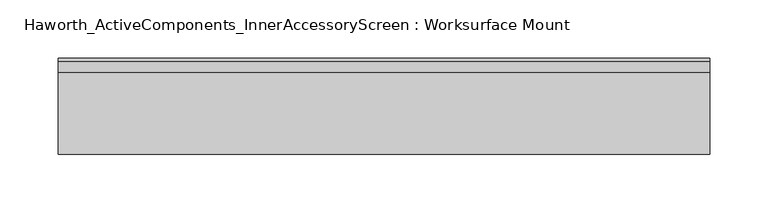
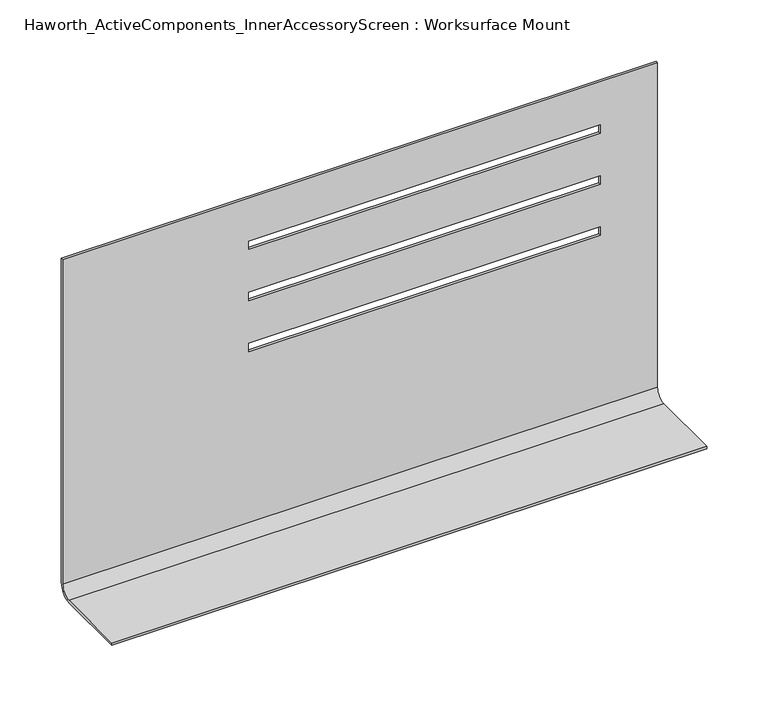
"""IFC4 building model written with IfcOpenShell, lengths in millimetres: furniture geometry, Haworth_ActiveComponents_InnerAccessoryScreen : Worksurface Mount."""

from ifc_helpers import new_model, si_unit, frame, origin, place, context, project, spatial, polyline, circle_curve, source, transform, mapped, element, save
from ifc_brep_helpers import plane_surface, cylinder_surface, revolved_surface, advanced_brep


def haworth_activecomponents_inneraccessoryscreen_worksurface_9a18a524(model_context):
    return source(origin(), model_context, "Body", "AdvancedBrep", [
        advanced_brep(
        [(-147.6375, 158.2277734, 736.6), (-147.6375, 88.6476451, 736.6), (-147.6375, 88.6476451, 738.98125), (-147.6375, 158.4262109, 738.98125), (-147.6375, 168.5465234, 749.1015625), (-147.6375, 168.5465234, 1071.3720078), (-147.6375, 170.9277734, 1071.3720078), (-147.6375, 170.9277734, 749.3), (411.1625, 158.2277734, 736.6), (411.1625, 170.9277734, 749.3), (411.1625, 170.9277734, 1071.3720078), (411.1625, 168.5465234, 1071.3720078), (411.1625, 168.5465234, 749.1015625), (411.1625, 158.4262109, 738.98125), (411.1625, 88.6476451, 738.98125), (411.1625, 88.6476451, 736.6), (357.1875061, 168.5465234, 1028.8270029), (357.1875061, 168.5465234, 1020.5719835), (26.987503, 168.5465234, 1020.5719835), (26.987503, 168.5465234, 1028.8270029), (26.987503, 168.5465234, 918.9720078), (26.987503, 168.5465234, 927.2270271), (357.1875061, 168.5465234, 927.2270271), (357.1875061, 168.5465234, 918.9720078), (357.1875061, 168.5465234, 978.0270514), (357.1875061, 168.5465234, 969.772032), (26.987503, 168.5465234, 969.772032), (26.987503, 168.5465234, 978.0270514), (357.1875061, 170.9277734, 1020.5719835), (357.1875061, 170.9277734, 1028.8270029), (26.987503, 170.9277734, 1028.8270029), (26.987503, 170.9277734, 1020.5719835), (26.987503, 170.9277734, 927.2270271), (26.987503, 170.9277734, 918.9720078), (357.1875061, 170.9277734, 918.9720078), (357.1875061, 170.9277734, 927.2270271), (357.1875061, 170.9277734, 969.772032), (357.1875061, 170.9277734, 978.0270514), (26.987503, 170.9277734, 978.0270514), (26.987503, 170.9277734, 969.772032)],
        [
            (0, 1),
            (1, 2),
            (2, 3),
            (3, 4, circle_curve(frame((-147.6375, 158.4262109, 749.1015625), z_axis=(1.0, 0.0, 0.0), x_axis=(0.0, 1.0, 0.0)), 10.1203125)),
            (4, 5),
            (5, 6),
            (6, 7),
            (7, 0, circle_curve(frame((-147.6375, 158.2277734, 749.3), z_axis=(-1.0, 0.0, 0.0), x_axis=(0.0, 1.0, 0.0)), 12.7)),
            (8, 9, circle_curve(frame((411.1625, 158.2277734, 749.3), z_axis=(1.0, 0.0, 0.0), x_axis=(0.0, 1.0, 0.0)), 12.7)),
            (9, 10),
            (10, 11),
            (11, 12),
            (12, 13, circle_curve(frame((411.1625, 158.4262109, 749.1015625), z_axis=(-1.0, 0.0, 0.0), x_axis=(0.0, 1.0, 0.0)), 10.1203125)),
            (13, 14),
            (14, 15),
            (15, 8),
            (0, 8),
            (15, 1),
            (14, 2),
            (13, 3),
            (12, 4),
            (11, 5),
            (16, 17),
            (17, 18),
            (18, 19),
            (19, 16),
            (20, 21),
            (21, 22),
            (22, 23),
            (23, 20),
            (24, 25),
            (25, 26),
            (26, 27),
            (27, 24),
            (10, 6),
            (9, 7),
            (28, 29),
            (29, 30),
            (30, 31),
            (31, 28),
            (32, 33),
            (33, 34),
            (34, 35),
            (35, 32),
            (36, 37),
            (37, 38),
            (38, 39),
            (39, 36),
            (28, 17),
            (16, 29),
            (19, 30),
            (18, 31),
            (32, 21),
            (20, 33),
            (23, 34),
            (22, 35),
            (36, 25),
            (24, 37),
            (27, 38),
            (26, 39),
        ],
        [
            plane_surface(frame((-147.6375, 169.7371484, 736.6), z_axis=(-1.0, 0.0, 0.0), x_axis=(0.0, 0.0, 1.0))),
            plane_surface(frame((411.1625, 169.7371484, 736.6), z_axis=(1.0, 0.0, 0.0), x_axis=(0.0, 0.0, 1.0))),
            plane_surface(frame((-147.6375, 158.2277734, 736.6), z_axis=(0.0, 0.0, -1.0), x_axis=(1.0, 0.0, 0.0))),
            plane_surface(frame((-147.6375, 88.6476451, 736.6), z_axis=(0.0, -1.0, 0.0), x_axis=(1.0, 0.0, 0.0))),
            plane_surface(frame((-147.6375, 88.6476451, 738.98125), z_axis=(0.0, 0.0, 1.0), x_axis=(1.0, 0.0, 0.0))),
            revolved_surface(polyline([(411.16249999999997, 168.5465234, 749.1015625), (-147.6375, 168.5465234, 749.1015625)]), (-147.6375, 158.4262109, 749.1015625), (1.0, 0.0, 0.0)),
            plane_surface(frame((-147.6375, 168.5465234, 749.1015625), z_axis=(0.0, -1.0, 0.0), x_axis=(1.0, 0.0, 0.0))),
            plane_surface(frame((-147.6375, 168.5465234, 1071.3720078), z_axis=(0.0, 0.0, 1.0), x_axis=(1.0, 0.0, 0.0))),
            plane_surface(frame((-147.6375, 170.9277734, 1071.3720078), z_axis=(0.0, 1.0, 0.0), x_axis=(1.0, 0.0, 0.0))),
            cylinder_surface(frame((-147.6375, 158.2277734, 749.3), z_axis=(-1.0, 0.0, 0.0), x_axis=(0.0, 1.0, 0.0)), 12.7),
            plane_surface(frame((357.1875061, 150.6871484, 1020.5719835), z_axis=(-1.0, 0.0, 0.0), x_axis=(0.0, 1.0, 0.0))),
            plane_surface(frame((357.1875061, 150.6871484, 1028.8270029), z_axis=(0.0, 0.0, -1.0), x_axis=(0.0, 1.0, 0.0))),
            plane_surface(frame((26.987503, 150.6871484, 1028.8270029), z_axis=(1.0, 0.0, 0.0), x_axis=(0.0, 1.0, 0.0))),
            plane_surface(frame((26.987503, 150.6871484, 1020.5719835), z_axis=(0.0, 0.0, 1.0), x_axis=(0.0, 1.0, 0.0))),
            plane_surface(frame((26.987503, 150.6871484, 927.2270271), z_axis=(1.0, 0.0, 0.0), x_axis=(0.0, 1.0, 0.0))),
            plane_surface(frame((26.987503, 150.6871484, 918.9720078), z_axis=(0.0, 0.0, 1.0), x_axis=(0.0, 1.0, 0.0))),
            plane_surface(frame((357.1875061, 150.6871484, 918.9720078), z_axis=(-1.0, 0.0, 0.0), x_axis=(0.0, 1.0, 0.0))),
            plane_surface(frame((357.1875061, 150.6871484, 927.2270271), z_axis=(0.0, 0.0, -1.0), x_axis=(0.0, 1.0, 0.0))),
            plane_surface(frame((357.1875061, 150.6871484, 969.772032), z_axis=(-1.0, 0.0, 0.0), x_axis=(0.0, 1.0, 0.0))),
            plane_surface(frame((357.1875061, 150.6871484, 978.0270514), z_axis=(0.0, 0.0, -1.0), x_axis=(0.0, 1.0, 0.0))),
            plane_surface(frame((26.987503, 150.6871484, 978.0270514), z_axis=(1.0, 0.0, 0.0), x_axis=(0.0, 1.0, 0.0))),
            plane_surface(frame((26.987503, 150.6871484, 969.772032), z_axis=(0.0, 0.0, 1.0), x_axis=(0.0, 1.0, 0.0))),
        ],
        [
            (0, [[1, 2, 3, 4, 5, 6, 7, 8]]),
            (1, [[9, 10, 11, 12, 13, 14, 15, 16]]),
            (2, [[-1, 17, -16, 18]]),
            (3, [[-2, -18, -15, 19]]),
            (4, [[-3, -19, -14, 20]]),
            (5, [[-4, -20, -13, 21]]),
            (6, [[-5, -21, -12, 22], [23, 24, 25, 26], [27, 28, 29, 30], [31, 32, 33, 34]]),
            (7, [[-6, -22, -11, 35]]),
            (8, [[-7, -35, -10, 36], [37, 38, 39, 40], [41, 42, 43, 44], [45, 46, 47, 48]]),
            (9, [[-8, -36, -9, -17]]),
            (10, [[49, -23, 50, -37]]),
            (11, [[-50, -26, 51, -38]]),
            (12, [[-51, -25, 52, -39]]),
            (13, [[-49, -40, -52, -24]]),
            (14, [[53, -27, 54, -41]]),
            (15, [[-54, -30, 55, -42]]),
            (16, [[-55, -29, 56, -43]]),
            (17, [[-53, -44, -56, -28]]),
            (18, [[57, -31, 58, -45]]),
            (19, [[-58, -34, 59, -46]]),
            (20, [[-59, -33, 60, -47]]),
            (21, [[-57, -48, -60, -32]]),
        ],
    ),
    ])


if __name__ == "__main__":
    model = new_model("IFC4")
    model_context = context("Model", 3, world=origin())
    ifc_project = project(units=[si_unit("LENGTHUNIT", "METRE", prefix="MILLI")], contexts=[model_context])
    site = spatial("IfcSite", under=ifc_project)
    building = spatial("IfcBuilding", under=site)
    placement = place(None, origin())
    haworth_activecomponents_inneraccessoryscreen_worksurface_shape = haworth_activecomponents_inneraccessoryscreen_worksurface_9a18a524(model_context)
    element("IfcFurniture", 1, ObjectType="Haworth_ActiveComponents_InnerAccessoryScreen : Worksurface Mount", at=placement, inside=building, context=model_context, shape_type="MappedRepresentation", body=[
        mapped(haworth_activecomponents_inneraccessoryscreen_worksurface_shape, transform((0.0, 0.0, 0.0), x_axis=(1.0, 0.0, 0.0), y_axis=(0.0, 1.0, 0.0), z_axis=(0.0, 0.0, 1.0))),
    ])
    save(model, "model.ifc")
